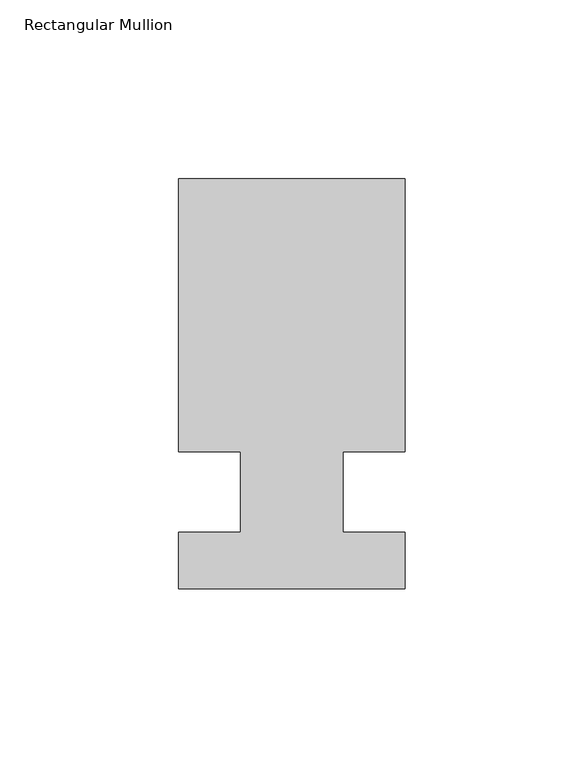
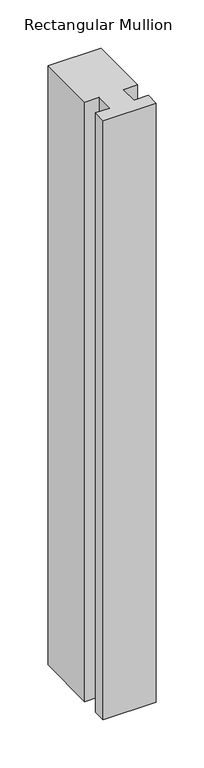
"""IFC4 building model written with IfcOpenShell, lengths in millimetres: member geometry, Rectangular Mullion."""

from ifc_helpers import new_model, si_unit, frame, origin, place, context, project, spatial, polyline, outline, extrude, source, transform, mapped, element, save


def rectangular_mullion_cbca02c9(model_context):
    return source(origin(), model_context, "Body", "SweptSolid", [
        extrude(outline(polyline([(-31.75, -53.9059438), (-31.75, -38.0563438), (-14.2875, -38.0563438), (-14.2875, -15.5773438), (-31.75, -15.5773437), (-31.75, 60.9528562), (31.75, 60.9528562), (31.75, -15.5773438), (14.2875, -15.5773437), (14.2875, -38.0563438), (31.75, -38.0563438), (31.75, -53.9059438), (-31.75, -53.9059438)])), frame((0.0, 0.0, -760.3532522), z_axis=(0.0, 0.0, 1.0), x_axis=(1.0, 0.0, 0.0)), (0.0, 0.0, 1.0), 760.3532522),
    ])


if __name__ == "__main__":
    model = new_model("IFC4")
    model_context = context("Model", 3, world=origin())
    ifc_project = project(units=[si_unit("LENGTHUNIT", "METRE", prefix="MILLI")], contexts=[model_context])
    site = spatial("IfcSite", under=ifc_project)
    building = spatial("IfcBuilding", under=site)
    placement = place(None, origin())
    rectangular_mullion_shape = rectangular_mullion_cbca02c9(model_context)
    element("IfcMember", 1, ObjectType="Rectangular Mullion", at=placement, inside=building, context=model_context, shape_type="MappedRepresentation", body=[
        mapped(rectangular_mullion_shape, transform((0.0, 0.0, 0.0), x_axis=(1.0, 0.0, 0.0), y_axis=(0.0, 1.0, 0.0), z_axis=(0.0, 0.0, 1.0))),
    ])
    save(model, "model.ifc")
